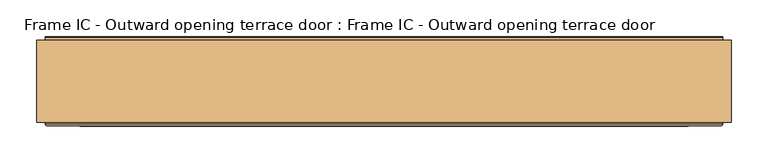
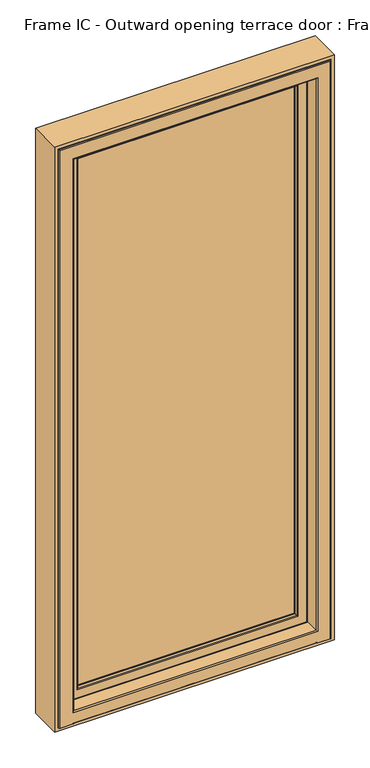
"""IFC4 building model written with IfcOpenShell, lengths in millimetres: door geometry, Frame IC - Outward opening terrace door : Frame IC - Outward opening terrace door."""

from ifc_helpers import new_model, si_unit, frame, origin, place, context, project, spatial, polyline, circle_curve, ellipse_curve, outline, extrude, source, transform, mapped, element, save
from ifc_brep_helpers import plane_surface, cylinder_surface, revolved_surface, advanced_brep


def frame_ic_outward_opening_terrace_door_frame_ic_outward_47a45416(model_context):
    return source(origin(), model_context, "Body", "SolidModel", [
        extrude(outline(polyline([(385.0, 133.0110098), (-385.0, 133.0110098), (-385.0, 181.0110098), (385.0, 181.0110098), (385.0, 133.0110098)])), frame((0.0, 0.0, 84.0), z_axis=(0.0, 0.0, 1.0), x_axis=(1.0, 0.0, 0.0)), (0.0, 0.0, 1.0), 1926.0),
        advanced_brep(
        [(427.5, 188.6168436, 2052.5), (427.5, 185.5999985, 2052.5), (427.5, 185.5999985, 41.5), (427.5, 188.6168436, 41.5), (430.0, 193.0, 2055.0), (431.0, 192.0, 2056.0), (431.0, 192.0, 38.0), (430.0, 193.0, 39.0), (371.0012615, 181.0, 1996.0012615), (371.0012615, 182.2285798, 1996.0012615), (371.0012615, 182.2285798, 97.9987385), (371.0012615, 181.0, 97.9987385), (389.3683537, 133.0, 2014.3683537), (395.2620126, 181.0, 2020.2620126), (395.2620126, 181.0, 73.7379874), (389.3683537, 133.0, 79.6316463), (371.0, 130.0, 1996.0), (371.0, 133.0, 1996.0), (371.0, 133.0, 98.0), (371.0, 130.0, 98.0), (371.0218525, 128.7920883, 1996.0218525), (372.0000001, 130.0, 1997.0000001), (372.0000001, 130.0, 96.9999999), (371.0218525, 128.7920883, 97.9781475), (372.8106909, 120.376265, 1997.8106909), (372.8106909, 120.376265, 96.1893091), (375.7451337, 118.0, 2000.7451337), (375.7451337, 118.0, 93.2548663), (408.5618051, 119.7562613, 2033.5618051), (406.5767128, 118.0, 2031.5767128), (406.5767128, 118.0, 62.4232872), (408.5618051, 119.7562613, 60.4381949), (410.5562854, 136.0, 2035.5562854), (410.5562854, 136.0, 58.4437146), (422.0, 185.5999985, 2047.0), (422.0, 136.0, 2047.0), (422.0, 136.0, 47.0), (422.0, 185.5999985, 47.0), (-427.5, 185.5999985, 41.5), (-427.5, 188.6168436, 41.5), (-431.0, 192.0, 38.0), (-430.0, 193.0, 39.0), (-371.0012615, 182.2285798, 97.9987385), (-371.0012615, 181.0, 97.9987385), (-395.2620126, 181.0, 73.7379874), (-389.3683537, 133.0, 79.6316463), (-371.0, 133.0, 98.0), (-371.0, 130.0, 98.0), (-372.0000001, 130.0, 96.9999999), (-371.0218525, 128.7920883, 97.9781475), (-372.8106909, 120.376265, 96.1893091), (-375.7451337, 118.0, 93.2548663), (-406.5767128, 118.0, 62.4232872), (-408.5618051, 119.7562613, 60.4381949), (-410.5562854, 136.0, 58.4437146), (-422.0, 136.0, 47.0), (-422.0, 185.5999985, 47.0), (-427.5, 185.5999985, 2052.5), (-427.5, 188.6168436, 2052.5), (-431.0, 192.0, 2056.0), (-430.0, 193.0, 2055.0), (-371.0012615, 182.2285798, 1996.0012615), (-371.0012615, 181.0, 1996.0012615), (-395.2620126, 181.0, 2020.2620126), (-389.3683537, 133.0, 2014.3683537), (-371.0, 133.0, 1996.0), (-371.0, 130.0, 1996.0), (-372.0000001, 130.0, 1997.0000001), (-371.0218525, 128.7920883, 1996.0218525), (-372.8106909, 120.376265, 1997.8106909), (-375.7451337, 118.0, 2000.7451337), (-406.5767128, 118.0, 2031.5767128), (-408.5618051, 119.7562613, 2033.5618051), (-410.5562854, 136.0, 2035.5562854), (-422.0, 136.0, 2047.0), (-422.0, 185.5999985, 2047.0), (437.1997151, 189.6865589, 31.8002849), (-437.1997151, 189.6865589, 31.8002849), (-437.1997151, 189.6865589, 2062.1997151), (437.1997151, 189.6865589, 2062.1997151), (431.0, 189.6865589, 2056.0), (-431.0, 189.6865589, 2056.0), (-431.0, 189.6865589, 38.0), (431.0, 189.6865589, 38.0), (381.0727028, 193.0, 87.9272972), (-381.0727028, 193.0, 87.9272972), (-381.0727028, 193.0, 2006.0727028), (381.0727028, 193.0, 2006.0727028), (375.7743373, 193.0, 2000.7743373), (-375.7743373, 193.0, 2000.7743373), (-375.7743373, 193.0, 93.2256627), (375.7743373, 193.0, 93.2256627), (437.1997151, 188.6168436, 2062.1997151), (437.1997151, 188.6168436, 31.8002849), (-437.1997151, 188.6168436, 31.8002849), (-437.1997151, 188.6168436, 2062.1997151), (373.8617278, 191.5847434, 1998.8617278), (373.8617278, 191.5847434, 95.1382722), (-373.8617278, 191.5847434, 95.1382722), (-373.8617278, 191.5847434, 1998.8617278), (386.7018679, 192.25, 2011.7018679), (388.000906, 193.0, 2013.000906), (388.000906, 193.0, 80.999094), (386.7018679, 192.25, 82.2981321), (382.3717409, 192.25, 2007.3717409), (382.3717409, 192.25, 86.6282591), (-388.000906, 193.0, 80.999094), (-386.7018679, 192.25, 82.2981321), (-382.3717409, 192.25, 86.6282591), (-388.000906, 193.0, 2013.000906), (-386.7018679, 192.25, 2011.7018679), (-382.3717409, 192.25, 2007.3717409)],
        [
            (0, 1),
            (1, 2),
            (2, 3),
            (3, 0),
            (4, 5, ellipse_curve(frame((430.0, 192.0, 2055.0), z_axis=(0.7071067811865475, 0.0, -0.7071067811865475), x_axis=(0.7071067811865474, 0.0, 0.7071067811865476)), 1.4142136, 1.0)),
            (5, 6),
            (6, 7, ellipse_curve(frame((430.0, 192.0, 39.0), z_axis=(0.7071067811865475, 0.0, 0.7071067811865475), x_axis=(-0.7071067811865474, 0.0, 0.7071067811865476)), 1.4142136, 1.0)),
            (7, 4),
            (8, 9),
            (9, 10),
            (10, 11),
            (11, 8),
            (12, 13),
            (13, 14),
            (14, 15),
            (15, 12),
            (16, 17),
            (17, 18),
            (18, 19),
            (19, 16),
            (20, 21, ellipse_curve(frame((372.0000001, 129.0, 1997.0000001), z_axis=(0.7071067811865475, 0.0, -0.7071067811865475), x_axis=(0.7071067811865474, 0.0, 0.7071067811865476)), 1.4142136, 1.0)),
            (21, 22),
            (22, 23, ellipse_curve(frame((372.0000001, 129.0, 96.9999999), z_axis=(0.7071067811865475, 0.0, 0.7071067811865475), x_axis=(-0.7071067811865474, 0.0, 0.7071067811865476)), 1.4142136, 1.0)),
            (23, 20),
            (24, 20),
            (23, 25),
            (25, 24),
            (26, 24, ellipse_curve(frame((375.7451337, 121.0, 2000.7451337), z_axis=(0.7071067811865475, 0.0, -0.7071067811865475), x_axis=(0.7071067811865474, 0.0, 0.7071067811865476)), 4.2426407, 3.0)),
            (25, 27, ellipse_curve(frame((375.7451337, 121.0, 93.2548663), z_axis=(0.7071067811865475, 0.0, 0.7071067811865475), x_axis=(-0.7071067811865474, 0.0, 0.7071067811865476)), 4.2426407, 3.0)),
            (27, 26),
            (28, 29, ellipse_curve(frame((406.5767128, 120.0, 2031.5767128), z_axis=(0.7071067811865475, 0.0, -0.7071067811865475), x_axis=(0.7071067811865474, 0.0, 0.7071067811865476)), 2.8284271, 2.0)),
            (29, 30),
            (30, 31, ellipse_curve(frame((406.5767128, 120.0, 62.4232872), z_axis=(0.7071067811865475, 0.0, 0.7071067811865475), x_axis=(-0.7071067811865474, 0.0, 0.7071067811865476)), 2.8284271, 2.0)),
            (31, 28),
            (32, 28),
            (31, 33),
            (33, 32),
            (34, 35),
            (35, 36),
            (36, 37),
            (37, 34),
            (2, 38),
            (38, 39),
            (39, 3),
            (6, 40),
            (40, 41, ellipse_curve(frame((-430.0, 192.0, 39.0), z_axis=(0.7071067811865475, 0.0, -0.7071067811865475), x_axis=(0.7071067811865476, 0.0, 0.7071067811865474)), 1.4142136, 1.0)),
            (41, 7),
            (10, 42),
            (42, 43),
            (43, 11),
            (14, 44),
            (44, 45),
            (45, 15),
            (18, 46),
            (46, 47),
            (47, 19),
            (22, 48),
            (48, 49, ellipse_curve(frame((-372.0000001, 129.0, 96.9999999), z_axis=(0.7071067811865475, 0.0, -0.7071067811865475), x_axis=(0.7071067811865476, 0.0, 0.7071067811865474)), 1.4142136, 1.0)),
            (49, 23),
            (49, 50),
            (50, 25),
            (50, 51, ellipse_curve(frame((-375.7451337, 121.0, 93.2548663), z_axis=(0.7071067811865475, 0.0, -0.7071067811865475), x_axis=(0.7071067811865476, 0.0, 0.7071067811865474)), 4.2426407, 3.0)),
            (51, 27),
            (30, 52),
            (52, 53, ellipse_curve(frame((-406.5767128, 120.0, 62.4232872), z_axis=(0.7071067811865475, 0.0, -0.7071067811865475), x_axis=(0.7071067811865476, 0.0, 0.7071067811865474)), 2.8284271, 2.0)),
            (53, 31),
            (53, 54),
            (54, 33),
            (36, 55),
            (55, 56),
            (56, 37),
            (38, 57),
            (57, 58),
            (58, 39),
            (40, 59),
            (59, 60, ellipse_curve(frame((-430.0, 192.0, 2055.0), z_axis=(-0.7071067811865475, 0.0, -0.7071067811865475), x_axis=(0.7071067811865474, 0.0, -0.7071067811865476)), 1.4142136, 1.0)),
            (60, 41),
            (42, 61),
            (61, 62),
            (62, 43),
            (44, 63),
            (63, 64),
            (64, 45),
            (46, 65),
            (65, 66),
            (66, 47),
            (48, 67),
            (67, 68, ellipse_curve(frame((-372.0000001, 129.0, 1997.0000001), z_axis=(-0.7071067811865475, 0.0, -0.7071067811865475), x_axis=(0.7071067811865474, 0.0, -0.7071067811865476)), 1.4142136, 1.0)),
            (68, 49),
            (68, 69),
            (69, 50),
            (69, 70, ellipse_curve(frame((-375.7451337, 121.0, 2000.7451337), z_axis=(-0.7071067811865475, 0.0, -0.7071067811865475), x_axis=(0.7071067811865474, 0.0, -0.7071067811865476)), 4.2426407, 3.0)),
            (70, 51),
            (52, 71),
            (71, 72, ellipse_curve(frame((-406.5767128, 120.0, 2031.5767128), z_axis=(-0.7071067811865475, 0.0, -0.7071067811865475), x_axis=(0.7071067811865474, 0.0, -0.7071067811865476)), 2.8284271, 2.0)),
            (72, 53),
            (72, 73),
            (73, 54),
            (55, 74),
            (74, 75),
            (75, 56),
            (1, 57),
            (75, 34),
            (0, 58),
            (76, 77),
            (77, 78),
            (78, 79),
            (79, 76),
            (80, 81),
            (81, 82),
            (82, 83),
            (83, 80),
            (59, 5),
            (4, 60),
            (84, 85),
            (85, 86),
            (86, 87),
            (87, 84),
            (88, 89),
            (89, 90),
            (90, 91),
            (91, 88),
            (61, 9),
            (8, 62),
            (13, 63),
            (12, 64),
            (17, 65),
            (16, 66),
            (21, 67),
            (20, 68),
            (24, 69),
            (26, 70),
            (29, 71),
            (28, 72),
            (32, 73),
            (35, 74),
            (79, 92),
            (92, 93),
            (93, 76),
            (5, 80),
            (83, 6),
            (93, 94),
            (94, 77),
            (82, 40),
            (94, 95),
            (95, 78),
            (81, 59),
            (92, 95),
            (96, 88, ellipse_curve(frame((375.7743373, 191.0, 2000.7743373), z_axis=(0.7071067811865475, 0.0, -0.7071067811865475), x_axis=(0.7071067811865474, 0.0, 0.7071067811865476)), 2.8284271, 2.0)),
            (91, 97, ellipse_curve(frame((375.7743373, 191.0, 93.2256627), z_axis=(0.7071067811865475, 0.0, 0.7071067811865475), x_axis=(-0.7071067811865474, 0.0, 0.7071067811865476)), 2.8284271, 2.0)),
            (97, 96),
            (9, 96),
            (97, 10),
            (90, 98, ellipse_curve(frame((-375.7743373, 191.0, 93.2256627), z_axis=(0.7071067811865475, 0.0, -0.7071067811865475), x_axis=(0.7071067811865476, 0.0, 0.7071067811865474)), 2.8284271, 2.0)),
            (98, 97),
            (98, 42),
            (89, 99, ellipse_curve(frame((-375.7743373, 191.0, 2000.7743373), z_axis=(-0.7071067811865475, 0.0, -0.7071067811865475), x_axis=(0.7071067811865474, 0.0, -0.7071067811865476)), 2.8284271, 2.0)),
            (99, 98),
            (99, 61),
            (96, 99),
            (100, 101, ellipse_curve(frame((388.000906, 191.5, 2013.000906), z_axis=(0.7071067811865475, 0.0, -0.7071067811865475), x_axis=(0.7071067811865474, 0.0, 0.7071067811865476)), 2.1213203, 1.5)),
            (101, 102),
            (102, 103, ellipse_curve(frame((388.000906, 191.5, 80.999094), z_axis=(0.7071067811865475, 0.0, 0.7071067811865475), x_axis=(-0.7071067811865474, 0.0, 0.7071067811865476)), 2.1213203, 1.5)),
            (103, 100),
            (104, 100, ellipse_curve(frame((384.5368044, 193.5, 2009.5368044), z_axis=(-0.7071067811865475, 0.0, 0.7071067811865475), x_axis=(-0.7071067811865474, 0.0, -0.7071067811865476)), 3.5355339, 2.5)),
            (103, 105, ellipse_curve(frame((384.5368044, 193.5, 84.4631956), z_axis=(-0.7071067811865475, 0.0, -0.7071067811865475), x_axis=(0.7071067811865474, 0.0, -0.7071067811865476)), 3.5355339, 2.5)),
            (105, 104),
            (87, 104, ellipse_curve(frame((381.0727028, 191.5, 2006.0727028), z_axis=(0.7071067811865475, 0.0, -0.7071067811865475), x_axis=(0.7071067811865474, 0.0, 0.7071067811865476)), 2.1213203, 1.5)),
            (105, 84, ellipse_curve(frame((381.0727028, 191.5, 87.9272972), z_axis=(0.7071067811865475, 0.0, 0.7071067811865475), x_axis=(-0.7071067811865474, 0.0, 0.7071067811865476)), 2.1213203, 1.5)),
            (102, 106),
            (106, 107, ellipse_curve(frame((-388.000906, 191.5, 80.999094), z_axis=(0.7071067811865475, 0.0, -0.7071067811865475), x_axis=(0.7071067811865476, 0.0, 0.7071067811865474)), 2.1213203, 1.5)),
            (107, 103),
            (107, 108, ellipse_curve(frame((-384.5368044, 193.5, 84.4631956), z_axis=(-0.7071067811865475, 0.0, 0.7071067811865475), x_axis=(-0.7071067811865476, 0.0, -0.7071067811865474)), 3.5355339, 2.5)),
            (108, 105),
            (108, 85, ellipse_curve(frame((-381.0727028, 191.5, 87.9272972), z_axis=(0.7071067811865475, 0.0, -0.7071067811865475), x_axis=(0.7071067811865476, 0.0, 0.7071067811865474)), 2.1213203, 1.5)),
            (106, 109),
            (109, 110, ellipse_curve(frame((-388.000906, 191.5, 2013.000906), z_axis=(-0.7071067811865475, 0.0, -0.7071067811865475), x_axis=(0.7071067811865474, 0.0, -0.7071067811865476)), 2.1213203, 1.5)),
            (110, 107),
            (110, 111, ellipse_curve(frame((-384.5368044, 193.5, 2009.5368044), z_axis=(0.7071067811865475, 0.0, 0.7071067811865475), x_axis=(-0.7071067811865474, 0.0, 0.7071067811865476)), 3.5355339, 2.5)),
            (111, 108),
            (111, 86, ellipse_curve(frame((-381.0727028, 191.5, 2006.0727028), z_axis=(-0.7071067811865475, 0.0, -0.7071067811865475), x_axis=(0.7071067811865474, 0.0, -0.7071067811865476)), 2.1213203, 1.5)),
            (101, 109),
            (100, 110),
            (104, 111),
        ],
        [
            plane_surface(frame((427.5, 185.5999985, 2052.5), z_axis=(1.0, 0.0, 0.0), x_axis=(0.0, 0.0, -1.0))),
            cylinder_surface(frame((430.0, 192.0, 2047.0), z_axis=(0.0, 0.0, 1.0), x_axis=(0.0, -1.0, 0.0)), 1.0),
            plane_surface(frame((371.0012615, 182.2285798, 1996.0012615), z_axis=(-1.0, 0.0, 0.0), x_axis=(0.0, 0.0, -1.0))),
            plane_surface(frame((395.2620126, 181.0, 2020.2620126), z_axis=(-0.9925461516413231, 0.12186934340513902, 0.0), x_axis=(0.0, 0.0, -1.0))),
            plane_surface(frame((371.0, 133.0, 1996.0), z_axis=(-1.0, 0.0, 0.0), x_axis=(0.0, 0.0, -1.0))),
            cylinder_surface(frame((372.0000001, 129.0, 2047.0), z_axis=(0.0, 0.0, 1.0), x_axis=(0.0, -1.0, 0.0)), 1.0),
            plane_surface(frame((371.0218525, 128.7920883, 1996.0218525), z_axis=(-0.978147604222882, -0.20791167440294514, 0.0), x_axis=(0.0, 0.0, -1.0))),
            cylinder_surface(frame((375.7451337, 121.0, 2047.0), z_axis=(0.0, 0.0, 1.0), x_axis=(0.0, -1.0, 0.0)), 3.0),
            cylinder_surface(frame((406.5767128, 120.0, 2047.0), z_axis=(0.0, 0.0, 1.0), x_axis=(0.0, -1.0, 0.0)), 2.0),
            plane_surface(frame((408.5618051, 119.7562613, 2033.5618051), z_axis=(0.9925461516416144, -0.1218693434027666, 0.0), x_axis=(0.0, 0.0, -1.0))),
            plane_surface(frame((422.0, 136.0, 2047.0), z_axis=(1.0, 0.0, 0.0), x_axis=(0.0, 0.0, -1.0))),
            plane_surface(frame((427.5, 185.5999985, 41.5), z_axis=(0.0, 0.0, -1.0), x_axis=(-1.0, 0.0, 0.0))),
            cylinder_surface(frame((422.0, 192.0, 39.0), z_axis=(1.0, 0.0, 0.0), x_axis=(0.0, -1.0, 0.0)), 1.0),
            plane_surface(frame((371.0012615, 182.2285798, 97.9987385), z_axis=(0.0, 0.0, 1.0), x_axis=(-1.0, 0.0, 0.0))),
            plane_surface(frame((395.2620126, 181.0, 73.7379874), z_axis=(0.0, 0.12186934340513902, 0.9925461516413231), x_axis=(-1.0, 0.0, 0.0))),
            plane_surface(frame((371.0, 133.0, 98.0), z_axis=(0.0, 0.0, 1.0), x_axis=(-1.0, 0.0, 0.0))),
            cylinder_surface(frame((422.0, 129.0, 96.9999999), z_axis=(1.0, 0.0, 0.0), x_axis=(0.0, -1.0, 0.0)), 1.0),
            plane_surface(frame((371.0218525, 128.7920883, 97.9781475), z_axis=(0.0, -0.20791167440294514, 0.978147604222882), x_axis=(-1.0, 0.0, 0.0))),
            cylinder_surface(frame((422.0, 121.0, 93.2548663), z_axis=(1.0, 0.0, 0.0), x_axis=(0.0, -1.0, 0.0)), 3.0),
            cylinder_surface(frame((422.0, 120.0, 62.4232872), z_axis=(1.0, 0.0, 0.0), x_axis=(0.0, -1.0, 0.0)), 2.0),
            plane_surface(frame((408.5618051, 119.7562613, 60.4381949), z_axis=(0.0, -0.1218693434027666, -0.9925461516416144), x_axis=(-1.0, 0.0, 0.0))),
            plane_surface(frame((422.0, 136.0, 47.0), z_axis=(0.0, 0.0, -1.0), x_axis=(-1.0, 0.0, 0.0))),
            plane_surface(frame((-427.5, 185.5999985, 41.5), z_axis=(-1.0, 0.0, 0.0), x_axis=(0.0, 0.0, 1.0))),
            cylinder_surface(frame((-430.0, 192.0, 47.0), z_axis=(0.0, 0.0, -1.0), x_axis=(0.0, -1.0, 0.0)), 1.0),
            plane_surface(frame((-371.0012615, 182.2285798, 97.9987385), z_axis=(1.0, 0.0, 0.0), x_axis=(0.0, 0.0, 1.0))),
            plane_surface(frame((-395.2620126, 181.0, 73.7379874), z_axis=(0.9925461516413231, 0.12186934340513902, 0.0), x_axis=(0.0, 0.0, 1.0))),
            plane_surface(frame((-371.0, 133.0, 98.0), z_axis=(1.0, 0.0, 0.0), x_axis=(0.0, 0.0, 1.0))),
            cylinder_surface(frame((-372.0000001, 129.0, 47.0), z_axis=(0.0, 0.0, -1.0), x_axis=(0.0, -1.0, 0.0)), 1.0),
            plane_surface(frame((-371.0218525, 128.7920883, 97.9781475), z_axis=(0.978147604222882, -0.20791167440294514, 0.0), x_axis=(0.0, 0.0, 1.0))),
            cylinder_surface(frame((-375.7451337, 121.0, 47.0), z_axis=(0.0, 0.0, -1.0), x_axis=(0.0, -1.0, 0.0)), 3.0),
            cylinder_surface(frame((-406.5767128, 120.0, 47.0), z_axis=(0.0, 0.0, -1.0), x_axis=(0.0, -1.0, 0.0)), 2.0),
            plane_surface(frame((-408.5618051, 119.7562613, 60.4381949), z_axis=(-0.9925461516416144, -0.1218693434027666, 0.0), x_axis=(0.0, 0.0, 1.0))),
            plane_surface(frame((-422.0, 136.0, 47.0), z_axis=(-1.0, 0.0, 0.0), x_axis=(0.0, 0.0, 1.0))),
            plane_surface(frame((-422.0, 185.5999985, 2047.0), z_axis=(0.0, -1.0, 0.0), x_axis=(1.0, 0.0, 0.0))),
            plane_surface(frame((-427.5, 185.5999985, 2052.5), z_axis=(0.0, 0.0, 1.0), x_axis=(1.0, 0.0, 0.0))),
            plane_surface(frame((-437.1997151, 189.6865589, 2062.1997151), z_axis=(0.0, 1.0, 0.0), x_axis=(1.0, 0.0, 0.0))),
            cylinder_surface(frame((-422.0, 192.0, 2055.0), z_axis=(-1.0, 0.0, 0.0), x_axis=(0.0, -1.0, 0.0)), 1.0),
            plane_surface(frame((-381.0727028, 193.0, 2006.0727028), z_axis=(0.0, 1.0, 0.0), x_axis=(1.0, 0.0, 0.0))),
            plane_surface(frame((-371.0012615, 182.2285798, 1996.0012615), z_axis=(0.0, 0.0, -1.0), x_axis=(1.0, 0.0, 0.0))),
            plane_surface(frame((-371.0012615, 181.0, 1996.0012615), z_axis=(0.0, -1.0, 0.0), x_axis=(1.0, 0.0, 0.0))),
            plane_surface(frame((-395.2620126, 181.0, 2020.2620126), z_axis=(0.0, 0.12186934340513902, -0.9925461516413231), x_axis=(1.0, 0.0, 0.0))),
            plane_surface(frame((-389.3683537, 133.0, 2014.3683537), z_axis=(0.0, 1.0, 0.0), x_axis=(1.0, 0.0, 0.0))),
            plane_surface(frame((-371.0, 133.0, 1996.0), z_axis=(0.0, 0.0, -1.0), x_axis=(1.0, 0.0, 0.0))),
            plane_surface(frame((-371.0, 130.0, 1996.0), z_axis=(0.0, -1.0, 0.0), x_axis=(1.0, 0.0, 0.0))),
            cylinder_surface(frame((-422.0, 129.0, 1997.0000001), z_axis=(-1.0, 0.0, 0.0), x_axis=(0.0, -1.0, 0.0)), 1.0),
            plane_surface(frame((-371.0218525, 128.7920883, 1996.0218525), z_axis=(0.0, -0.20791167440294514, -0.978147604222882), x_axis=(1.0, 0.0, 0.0))),
            cylinder_surface(frame((-422.0, 121.0, 2000.7451337), z_axis=(-1.0, 0.0, 0.0), x_axis=(0.0, -1.0, 0.0)), 3.0),
            plane_surface(frame((-375.7451337, 118.0, 2000.7451337), z_axis=(0.0, -1.0, 0.0), x_axis=(1.0, 0.0, 0.0))),
            cylinder_surface(frame((-422.0, 120.0, 2031.5767128), z_axis=(-1.0, 0.0, 0.0), x_axis=(0.0, -1.0, 0.0)), 2.0),
            plane_surface(frame((-408.5618051, 119.7562613, 2033.5618051), z_axis=(0.0, -0.1218693434027666, 0.9925461516416144), x_axis=(1.0, 0.0, 0.0))),
            plane_surface(frame((-410.5562854, 136.0, 2035.5562854), z_axis=(0.0, -1.0, 0.0), x_axis=(1.0, 0.0, 0.0))),
            plane_surface(frame((-422.0, 136.0, 2047.0), z_axis=(0.0, 0.0, 1.0), x_axis=(1.0, 0.0, 0.0))),
            plane_surface(frame((437.1997151, 188.6168436, 2062.1997151), z_axis=(1.0, 0.0, 0.0), x_axis=(0.0, 0.0, -1.0))),
            plane_surface(frame((431.0, 189.6865589, 2056.0), z_axis=(1.0, 0.0, 0.0), x_axis=(0.0, 0.0, -1.0))),
            plane_surface(frame((437.1997151, 188.6168436, 31.8002849), z_axis=(0.0, 0.0, -1.0), x_axis=(-1.0, 0.0, 0.0))),
            plane_surface(frame((431.0, 189.6865589, 38.0), z_axis=(0.0, 0.0, -1.0), x_axis=(-1.0, 0.0, 0.0))),
            plane_surface(frame((-437.1997151, 188.6168436, 31.8002849), z_axis=(-1.0, 0.0, 0.0), x_axis=(0.0, 0.0, 1.0))),
            plane_surface(frame((-431.0, 189.6865589, 38.0), z_axis=(-1.0, 0.0, 0.0), x_axis=(0.0, 0.0, 1.0))),
            plane_surface(frame((-427.5, 188.6168436, 2052.5), z_axis=(0.0, -1.0, 0.0), x_axis=(1.0, 0.0, 0.0))),
            plane_surface(frame((-437.1997151, 188.6168436, 2062.1997151), z_axis=(0.0, 0.0, 1.0), x_axis=(1.0, 0.0, 0.0))),
            plane_surface(frame((-431.0, 189.6865589, 2056.0), z_axis=(0.0, 0.0, 1.0), x_axis=(1.0, 0.0, 0.0))),
            cylinder_surface(frame((375.7743373, 191.0, 2047.0), z_axis=(0.0, 0.0, 1.0), x_axis=(0.0, -1.0, 0.0)), 2.0),
            plane_surface(frame((373.8617278, 191.5847434, 1998.8617278), z_axis=(-0.9563047559630378, 0.2923717047227294, 0.0), x_axis=(0.0, 0.0, -1.0))),
            cylinder_surface(frame((422.0, 191.0, 93.2256627), z_axis=(1.0, 0.0, 0.0), x_axis=(0.0, -1.0, 0.0)), 2.0),
            plane_surface(frame((373.8617278, 191.5847434, 95.1382722), z_axis=(0.0, 0.2923717047227294, 0.9563047559630378), x_axis=(-1.0, 0.0, 0.0))),
            cylinder_surface(frame((-375.7743373, 191.0, 47.0), z_axis=(0.0, 0.0, -1.0), x_axis=(0.0, -1.0, 0.0)), 2.0),
            plane_surface(frame((-373.8617278, 191.5847434, 95.1382722), z_axis=(0.9563047559630378, 0.2923717047227294, 0.0), x_axis=(0.0, 0.0, 1.0))),
            cylinder_surface(frame((-422.0, 191.0, 2000.7743373), z_axis=(-1.0, 0.0, 0.0), x_axis=(0.0, -1.0, 0.0)), 2.0),
            plane_surface(frame((-373.8617278, 191.5847434, 1998.8617278), z_axis=(0.0, 0.2923717047227294, -0.9563047559630378), x_axis=(1.0, 0.0, 0.0))),
            cylinder_surface(frame((388.000906, 191.5, 2047.0), z_axis=(0.0, 0.0, 1.0), x_axis=(0.0, -1.0, 0.0)), 1.5),
            revolved_surface(polyline([(384.5368044, 191.0, 81.9631956041951), (384.5368044, 191.0, 2012.036804395805)]), (384.5368044, 193.5, 2047.0), (0.0, 0.0, -1.0)),
            cylinder_surface(frame((381.0727028, 191.5, 2047.0), z_axis=(0.0, 0.0, 1.0), x_axis=(0.0, -1.0, 0.0)), 1.5),
            cylinder_surface(frame((422.0, 191.5, 80.999094), z_axis=(1.0, 0.0, 0.0), x_axis=(0.0, -1.0, 0.0)), 1.5),
            revolved_surface(polyline([(-387.0368043958049, 191.0, 84.4631956), (387.0368043958049, 191.0, 84.4631956)]), (422.0, 193.5, 84.4631956), (-1.0, 0.0, 0.0)),
            cylinder_surface(frame((422.0, 191.5, 87.9272972), z_axis=(1.0, 0.0, 0.0), x_axis=(0.0, -1.0, 0.0)), 1.5),
            cylinder_surface(frame((-388.000906, 191.5, 47.0), z_axis=(0.0, 0.0, -1.0), x_axis=(0.0, -1.0, 0.0)), 1.5),
            revolved_surface(polyline([(-384.5368044, 191.0, 2012.036804395805), (-384.5368044, 191.0, 81.96319560419508)]), (-384.5368044, 193.5, 47.0), (0.0, 0.0, 1.0)),
            cylinder_surface(frame((-381.0727028, 191.5, 47.0), z_axis=(0.0, 0.0, -1.0), x_axis=(0.0, -1.0, 0.0)), 1.5),
            plane_surface(frame((-430.0, 193.0, 2055.0), z_axis=(0.0, 1.0, 0.0), x_axis=(1.0, 0.0, 0.0))),
            cylinder_surface(frame((-422.0, 191.5, 2013.000906), z_axis=(-1.0, 0.0, 0.0), x_axis=(0.0, -1.0, 0.0)), 1.5),
            revolved_surface(polyline([(387.0368043958049, 191.0, 2009.5368044), (-387.0368043958049, 191.0, 2009.5368044)]), (-422.0, 193.5, 2009.5368044), (1.0, 0.0, 0.0)),
            cylinder_surface(frame((-422.0, 191.5, 2006.0727028), z_axis=(-1.0, 0.0, 0.0), x_axis=(0.0, -1.0, 0.0)), 1.5),
        ],
        [
            (0, [[1, 2, 3, 4]]),
            (1, [[5, 6, 7, 8]]),
            (2, [[9, 10, 11, 12]]),
            (3, [[13, 14, 15, 16]]),
            (4, [[17, 18, 19, 20]]),
            (5, [[21, 22, 23, 24]]),
            (6, [[25, -24, 26, 27]]),
            (7, [[28, -27, 29, 30]]),
            (8, [[31, 32, 33, 34]]),
            (9, [[35, -34, 36, 37]]),
            (10, [[38, 39, 40, 41]]),
            (11, [[-3, 42, 43, 44]]),
            (12, [[-7, 45, 46, 47]]),
            (13, [[-11, 48, 49, 50]]),
            (14, [[-15, 51, 52, 53]]),
            (15, [[-19, 54, 55, 56]]),
            (16, [[-23, 57, 58, 59]]),
            (17, [[-26, -59, 60, 61]]),
            (18, [[-29, -61, 62, 63]]),
            (19, [[-33, 64, 65, 66]]),
            (20, [[-36, -66, 67, 68]]),
            (21, [[-40, 69, 70, 71]]),
            (22, [[-43, 72, 73, 74]]),
            (23, [[-46, 75, 76, 77]]),
            (24, [[-49, 78, 79, 80]]),
            (25, [[-52, 81, 82, 83]]),
            (26, [[-55, 84, 85, 86]]),
            (27, [[-58, 87, 88, 89]]),
            (28, [[-60, -89, 90, 91]]),
            (29, [[-62, -91, 92, 93]]),
            (30, [[-65, 94, 95, 96]]),
            (31, [[-67, -96, 97, 98]]),
            (32, [[-70, 99, 100, 101]]),
            (33, [[102, -72, -42, -2], [-71, -101, 103, -41]]),
            (34, [[-73, -102, -1, 104]]),
            (35, [[105, 106, 107, 108], [109, 110, 111, 112]]),
            (36, [[-76, 113, -5, 114]]),
            (37, [[115, 116, 117, 118], [119, 120, 121, 122]]),
            (38, [[-79, 123, -9, 124]]),
            (39, [[125, -81, -51, -14], [-50, -80, -124, -12]]),
            (40, [[-82, -125, -13, 126]]),
            (41, [[-53, -83, -126, -16], [127, -84, -54, -18]]),
            (42, [[-85, -127, -17, 128]]),
            (43, [[129, -87, -57, -22], [-56, -86, -128, -20]]),
            (44, [[-88, -129, -21, 130]]),
            (45, [[-90, -130, -25, 131]]),
            (46, [[-92, -131, -28, 132]]),
            (47, [[133, -94, -64, -32], [-63, -93, -132, -30]]),
            (48, [[-95, -133, -31, 134]]),
            (49, [[-97, -134, -35, 135]]),
            (50, [[136, -99, -69, -39], [-68, -98, -135, -37]]),
            (51, [[-100, -136, -38, -103]]),
            (52, [[137, 138, 139, -108]]),
            (53, [[140, -112, 141, -6]]),
            (54, [[-139, 142, 143, -105]]),
            (55, [[-141, -111, 144, -45]]),
            (56, [[-143, 145, 146, -106]]),
            (57, [[-144, -110, 147, -75]]),
            (58, [[148, -145, -142, -138], [-44, -74, -104, -4]]),
            (59, [[-146, -148, -137, -107]]),
            (60, [[-147, -109, -140, -113]]),
            (61, [[149, -122, 150, 151]]),
            (62, [[152, -151, 153, -10]]),
            (63, [[-150, -121, 154, 155]]),
            (64, [[-153, -155, 156, -48]]),
            (65, [[-154, -120, 157, 158]]),
            (66, [[-156, -158, 159, -78]]),
            (67, [[-157, -119, -149, 160]]),
            (68, [[-159, -160, -152, -123]]),
            (69, [[161, 162, 163, 164]]),
            (70, [[165, -164, 166, 167]]),
            (71, [[168, -167, 169, -118]]),
            (72, [[-163, 170, 171, 172]]),
            (73, [[-166, -172, 173, 174]]),
            (74, [[-169, -174, 175, -115]]),
            (75, [[-171, 176, 177, 178]]),
            (76, [[-173, -178, 179, 180]]),
            (77, [[-175, -180, 181, -116]]),
            (78, [[-47, -77, -114, -8], [182, -176, -170, -162]]),
            (79, [[-177, -182, -161, 183]]),
            (80, [[-179, -183, -165, 184]]),
            (81, [[-181, -184, -168, -117]]),
        ],
    ),
        extrude(outline(polyline([(2100.0, -475.0), (0.0, -475.0), (0.0, 475.0), (2100.0, 475.0), (2100.0, -475.0)]), holes=[polyline([(2088.0, 463.0), (12.0, 463.0), (12.0, -463.0), (2088.0, -463.0), (2088.0, 463.0)])]), frame((0.0, 77.0, 0.0), z_axis=(0.0, 1.0, 0.0), x_axis=(0.0, 0.0, 1.0)), (0.0, 0.0, 1.0), 112.0),
        advanced_brep(
        [(-437.7857488, 191.365608, 30.5880353), (-437.7857488, 194.0, 27.6103969), (-437.7857488, 194.0, 15.0), (-437.7857488, 191.0, 12.0), (-437.7857488, 186.453125, 12.0), (-437.7857488, 186.453125, 31.1912124), (437.7857488, 191.365608, 30.5880353), (437.7857488, 194.0, 27.6103969), (437.7857488, 194.0, 15.0), (437.7857488, 191.0, 12.0), (437.7857488, 186.453125, 12.0), (438.6, 186.453125, 12.0), (438.6, 193.0, 12.0), (439.6, 194.0, 12.0), (462.0, 194.0, 12.0), (463.0, 193.0, 12.0), (463.0, 75.0, 12.0), (460.0, 72.0, 12.0), (416.0, 72.0, 12.0), (413.0, 75.0, 12.0), (-413.0, 75.0, 12.0), (-416.0, 72.0, 12.0), (-460.0, 72.0, 12.0), (-463.0, 75.0, 12.0), (-463.0, 193.0, 12.0), (-462.0, 194.0, 12.0), (-439.6, 194.0, 12.0), (-438.6, 193.0, 12.0), (-438.6, 186.453125, 12.0), (437.7857488, 186.453125, 31.1912124), (437.7857488, 186.453125, 2062.7857488), (-437.7857488, 186.453125, 2062.7857488), (-438.6, 186.453125, 2063.6), (438.6, 186.453125, 2063.6), (-431.1386925, 132.317196, 37.8382687), (431.1386925, 132.317196, 37.8382687), (-431.1386925, 132.317196, 2056.1386925), (-429.6498733, 131.0, 39.3270879), (429.6498733, 131.0, 39.3270879), (431.1386925, 132.317196, 2056.1386925), (438.6, 193.0, 2063.6), (439.6, 194.0, 2064.6), (-439.6, 194.0, 2064.6), (-462.0, 194.0, 2087.0), (462.0, 194.0, 2087.0), (463.0, 193.0, 2088.0), (463.0, 75.0, 2088.0), (460.0, 72.0, 2085.0), (-416.0, 72.0, 15.0), (416.0, 72.0, 15.0), (-460.0, 72.0, 2085.0), (416.0, 72.0, 53.0), (-416.0, 72.0, 53.0), (-416.0, 72.0, 2041.0), (416.0, 72.0, 2041.0), (413.0, 75.0, 2038.0), (413.0, 75.0, 56.0), (-413.0, 75.0, 2038.0), (-413.0, 75.0, 56.0), (-463.0, 75.0, 2088.0), (-463.0, 193.0, 2088.0), (-438.6, 193.0, 2063.6), (413.0, 129.5, 56.0), (-413.0, 129.5, 56.0), (413.0, 129.5, 2038.0), (414.5, 131.0, 54.5), (-414.5, 131.0, 54.5), (-413.0, 129.5, 2038.0), (414.5, 131.0, 2039.5), (-429.6498733, 131.0, 2054.6498733), (429.6498733, 131.0, 2054.6498733), (-414.5, 131.0, 2039.5)],
        [
            (0, 1, circle_curve(frame((-437.7857488, 191.0, 27.6103969), z_axis=(-1.0, 0.0, 0.0), x_axis=(0.0, -1.0, 0.0)), 3.0)),
            (1, 2),
            (2, 3, circle_curve(frame((-437.7857488, 191.0, 15.0), z_axis=(-1.0, 0.0, 0.0), x_axis=(0.0, -1.0, 0.0)), 3.0)),
            (3, 4),
            (4, 5),
            (5, 0),
            (0, 6),
            (6, 7, circle_curve(frame((437.7857488, 191.0, 27.6103969), z_axis=(-1.0, 0.0, 0.0), x_axis=(0.0, -1.0, 0.0)), 3.0)),
            (7, 1),
            (7, 8),
            (8, 2),
            (8, 9, circle_curve(frame((437.7857488, 191.0, 15.0), z_axis=(-1.0, 0.0, 0.0), x_axis=(0.0, -1.0, 0.0)), 3.0)),
            (9, 3),
            (9, 10),
            (10, 11),
            (11, 12),
            (12, 13, circle_curve(frame((439.6, 193.0, 12.0), z_axis=(0.0, 0.0, -1.0), x_axis=(0.0, 1.0, 0.0)), 1.0)),
            (13, 14),
            (14, 15, circle_curve(frame((462.0, 193.0, 12.0), z_axis=(0.0, 0.0, -1.0), x_axis=(0.0, 1.0, 0.0)), 1.0)),
            (15, 16),
            (16, 17, circle_curve(frame((460.0, 75.0, 12.0), z_axis=(0.0, 0.0, -1.0), x_axis=(0.0, 1.0, 0.0)), 3.0)),
            (17, 18),
            (18, 19, circle_curve(frame((416.0, 75.0, 12.0), z_axis=(0.0, 0.0, -1.0), x_axis=(0.0, 1.0, 0.0)), 3.0)),
            (19, 20),
            (20, 21, circle_curve(frame((-416.0, 75.0, 12.0), z_axis=(0.0, 0.0, -1.0), x_axis=(0.0, 1.0, 0.0)), 3.0)),
            (21, 22),
            (22, 23, circle_curve(frame((-460.0, 75.0, 12.0), z_axis=(0.0, 0.0, -1.0), x_axis=(0.0, 1.0, 0.0)), 3.0)),
            (23, 24),
            (24, 25, circle_curve(frame((-462.0, 193.0, 12.0), z_axis=(0.0, 0.0, -1.0), x_axis=(0.0, 1.0, 0.0)), 1.0)),
            (25, 26),
            (26, 27, circle_curve(frame((-439.6, 193.0, 12.0), z_axis=(0.0, 0.0, -1.0), x_axis=(0.0, 1.0, 0.0)), 1.0)),
            (27, 28),
            (28, 4),
            (10, 29),
            (29, 30),
            (30, 31),
            (31, 5),
            (28, 32),
            (32, 33),
            (33, 11),
            (5, 34),
            (34, 35),
            (35, 29),
            (29, 6),
            (31, 36),
            (36, 34),
            (34, 37, ellipse_curve(frame((-429.6498733, 132.5, 39.3270879), z_axis=(-0.7071067811865475, 0.0, 0.7071067811865475), x_axis=(0.7071067811865476, 0.0, 0.7071067811865474)), 2.1213203, 1.5)),
            (37, 38),
            (38, 35, ellipse_curve(frame((429.6498733, 132.5, 39.3270879), z_axis=(0.7071067811865475, 0.0, 0.7071067811865475), x_axis=(0.7071067811865476, 0.0, -0.7071067811865474)), 2.1213203, 1.5)),
            (39, 30),
            (35, 39),
            (33, 40),
            (40, 12),
            (40, 41, ellipse_curve(frame((439.6, 193.0, 2064.6), z_axis=(0.7071067811865475, 0.0, -0.7071067811865475), x_axis=(-0.7071067811865474, 0.0, -0.7071067811865476)), 1.4142136, 1.0)),
            (41, 13),
            (41, 42),
            (42, 26),
            (25, 43),
            (43, 44),
            (44, 14),
            (44, 45, ellipse_curve(frame((462.0, 193.0, 2087.0), z_axis=(0.7071067811865475, 0.0, -0.7071067811865475), x_axis=(-0.7071067811865474, 0.0, -0.7071067811865476)), 1.4142136, 1.0)),
            (45, 15),
            (45, 46),
            (46, 16),
            (46, 47, ellipse_curve(frame((460.0, 75.0, 2085.0), z_axis=(0.7071067811865475, 0.0, -0.7071067811865475), x_axis=(-0.7071067811865474, 0.0, -0.7071067811865476)), 4.2426407, 3.0)),
            (47, 17),
            (48, 49),
            (49, 18),
            (47, 50),
            (50, 22),
            (21, 48),
            (51, 52),
            (52, 53),
            (53, 54),
            (54, 51),
            (49, 19, ellipse_curve(frame((416.0, 75.0, 15.0), z_axis=(0.7071067811865475, 0.0, -0.7071067811865475), x_axis=(-0.7071067811865474, 0.0, -0.7071067811865476)), 4.2426407, 3.0)),
            (54, 55, ellipse_curve(frame((416.0, 75.0, 2041.0), z_axis=(0.7071067811865475, 0.0, -0.7071067811865475), x_axis=(-0.7071067811865474, 0.0, -0.7071067811865476)), 4.2426407, 3.0)),
            (55, 56),
            (56, 51, ellipse_curve(frame((416.0, 75.0, 53.0), z_axis=(0.7071067811865475, 0.0, 0.7071067811865475), x_axis=(0.7071067811865474, 0.0, -0.7071067811865476)), 4.2426407, 3.0)),
            (48, 20, ellipse_curve(frame((-416.0, 75.0, 15.0), z_axis=(0.7071067811865475, 0.0, 0.7071067811865475), x_axis=(-0.7071067811865476, 0.0, 0.7071067811865474)), 4.2426407, 3.0)),
            (57, 53, ellipse_curve(frame((-416.0, 75.0, 2041.0), z_axis=(-0.7071067811865475, 0.0, -0.7071067811865475), x_axis=(-0.7071067811865474, 0.0, 0.7071067811865476)), 4.2426407, 3.0)),
            (52, 58, ellipse_curve(frame((-416.0, 75.0, 53.0), z_axis=(-0.7071067811865475, 0.0, 0.7071067811865475), x_axis=(0.7071067811865474, 0.0, 0.7071067811865476)), 4.2426407, 3.0)),
            (58, 57),
            (50, 59, ellipse_curve(frame((-460.0, 75.0, 2085.0), z_axis=(-0.7071067811865475, 0.0, -0.7071067811865475), x_axis=(-0.7071067811865474, 0.0, 0.7071067811865476)), 4.2426407, 3.0)),
            (59, 23),
            (59, 60),
            (60, 24),
            (60, 43, ellipse_curve(frame((-462.0, 193.0, 2087.0), z_axis=(-0.7071067811865475, 0.0, -0.7071067811865475), x_axis=(-0.7071067811865474, 0.0, 0.7071067811865476)), 1.4142136, 1.0)),
            (42, 61, ellipse_curve(frame((-439.6, 193.0, 2064.6), z_axis=(-0.7071067811865475, 0.0, -0.7071067811865475), x_axis=(-0.7071067811865474, 0.0, 0.7071067811865476)), 1.4142136, 1.0)),
            (61, 27),
            (61, 32),
            (56, 58),
            (56, 62),
            (62, 63),
            (63, 58),
            (55, 64),
            (64, 62),
            (62, 65, ellipse_curve(frame((414.5, 129.5, 54.5), z_axis=(-0.7071067811865475, 0.0, -0.7071067811865475), x_axis=(-0.7071067811865476, 0.0, 0.7071067811865474)), 2.1213203, 1.5)),
            (65, 66),
            (66, 63, ellipse_curve(frame((-414.5, 129.5, 54.5), z_axis=(0.7071067811865475, 0.0, -0.7071067811865475), x_axis=(-0.7071067811865476, 0.0, -0.7071067811865474)), 2.1213203, 1.5)),
            (67, 57),
            (63, 67),
            (64, 68, ellipse_curve(frame((414.5, 129.5, 2039.5), z_axis=(0.7071067811865475, 0.0, -0.7071067811865475), x_axis=(-0.7071067811865474, 0.0, -0.7071067811865476)), 2.1213203, 1.5)),
            (68, 65),
            (69, 70),
            (70, 38),
            (37, 69),
            (68, 71),
            (71, 66),
            (71, 67, ellipse_curve(frame((-414.5, 129.5, 2039.5), z_axis=(-0.7071067811865475, 0.0, -0.7071067811865475), x_axis=(-0.7071067811865474, 0.0, 0.7071067811865476)), 2.1213203, 1.5)),
            (70, 39, ellipse_curve(frame((429.6498733, 132.5, 2054.6498733), z_axis=(-0.7071067811865475, 0.0, 0.7071067811865475), x_axis=(0.7071067811865474, 0.0, 0.7071067811865476)), 2.1213203, 1.5)),
            (36, 69, ellipse_curve(frame((-429.6498733, 132.5, 2054.6498733), z_axis=(0.7071067811865475, 0.0, 0.7071067811865475), x_axis=(0.7071067811865474, 0.0, -0.7071067811865476)), 2.1213203, 1.5)),
            (64, 67),
            (36, 39),
            (61, 40),
            (60, 45),
            (59, 46),
            (57, 55),
        ],
        [
            plane_surface(frame((-437.7857488, 191.365608, 30.5880353), z_axis=(-1.0, 0.0, 0.0), x_axis=(0.0, 0.9925461516412108, -0.12186934340605346))),
            cylinder_surface(frame((437.7857488, 191.0, 27.6103969), z_axis=(-1.0, 0.0, 0.0), x_axis=(0.0, -1.0, 0.0)), 3.0),
            plane_surface(frame((-437.7857488, 194.0, 27.6103969), z_axis=(0.0, 1.0, 5.015401888247827e-12), x_axis=(1.0, 0.0, 0.0))),
            cylinder_surface(frame((437.7857488, 191.0, 15.0), z_axis=(-1.0, 0.0, 0.0), x_axis=(0.0, -1.0, 0.0)), 3.0),
            plane_surface(frame((-437.7857488, 191.0, 12.0), z_axis=(0.0, 0.0, -1.0), x_axis=(1.0, 0.0, 0.0))),
            plane_surface(frame((437.7857488, 186.453125, 12.0), z_axis=(0.0, 1.0, 0.0), x_axis=(0.0, 0.0, 1.0))),
            plane_surface(frame((-437.7857488, 132.317196, 37.8382687), z_axis=(0.0, 0.12186934340605346, 0.9925461516412108), x_axis=(1.0, 0.0, 0.0))),
            plane_surface(frame((437.7857488, 191.365608, 30.5880353), z_axis=(1.0, 0.0, 0.0), x_axis=(0.0, -0.9925461516412108, 0.12186934340605346))),
            plane_surface(frame((-431.1386925, 132.317196, 2056.1386925), z_axis=(0.9925461516413233, 0.12186934340513729, 0.0), x_axis=(0.0, 0.0, -1.0))),
            revolved_surface(polyline([(431.1498732691987, 131.0, 39.3270879), (-431.14987326919874, 131.0, 39.3270879)]), (437.7857488, 132.5, 39.3270879), (1.0, 0.0, 0.0)),
            plane_surface(frame((431.1386925, 132.317196, 12.0), z_axis=(-0.9925461516413233, 0.12186934340513729, 0.0), x_axis=(0.0, 0.0, 1.0))),
            plane_surface(frame((438.6, 186.453125, 12.0), z_axis=(-1.0, 0.0, 0.0), x_axis=(0.0, 0.0, 1.0))),
            cylinder_surface(frame((439.6, 193.0, 12.0), z_axis=(0.0, 0.0, -1.0), x_axis=(0.0, 1.0, 0.0)), 1.0),
            plane_surface(frame((439.6, 194.0, 12.0), z_axis=(0.0, 1.0, 0.0), x_axis=(0.0, 0.0, 1.0))),
            cylinder_surface(frame((462.0, 193.0, 12.0), z_axis=(0.0, 0.0, -1.0), x_axis=(0.0, 1.0, 0.0)), 1.0),
            plane_surface(frame((463.0, 193.0, 12.0), z_axis=(1.0, 0.0, 0.0), x_axis=(0.0, 0.0, 1.0))),
            cylinder_surface(frame((460.0, 75.0, 12.0), z_axis=(0.0, 0.0, -1.0), x_axis=(0.0, 1.0, 0.0)), 3.0),
            plane_surface(frame((-437.7857488, 72.0, 15.0), z_axis=(0.0, -1.0, 1.6904214870017627e-12), x_axis=(1.0, 0.0, 0.0))),
            cylinder_surface(frame((416.0, 75.0, 12.0), z_axis=(0.0, 0.0, -1.0), x_axis=(0.0, 1.0, 0.0)), 3.0),
            cylinder_surface(frame((437.7857488, 75.0, 15.0), z_axis=(-1.0, 0.0, 0.0), x_axis=(0.0, -1.0, 0.0)), 3.0),
            cylinder_surface(frame((-416.0, 75.0, 2100.0), z_axis=(0.0, 0.0, 1.0), x_axis=(0.0, 1.0, 0.0)), 3.0),
            cylinder_surface(frame((-460.0, 75.0, 2100.0), z_axis=(0.0, 0.0, 1.0), x_axis=(0.0, 1.0, 0.0)), 3.0),
            plane_surface(frame((-463.0, 193.0, 2088.0), z_axis=(-1.0, 0.0, 0.0), x_axis=(0.0, 0.0, -1.0))),
            cylinder_surface(frame((-462.0, 193.0, 2100.0), z_axis=(0.0, 0.0, 1.0), x_axis=(0.0, 1.0, 0.0)), 1.0),
            cylinder_surface(frame((-439.6, 193.0, 2100.0), z_axis=(0.0, 0.0, 1.0), x_axis=(0.0, 1.0, 0.0)), 1.0),
            plane_surface(frame((-438.6, 186.453125, 2063.6), z_axis=(1.0, 0.0, 0.0), x_axis=(0.0, 0.0, -1.0))),
            cylinder_surface(frame((437.7857488, 75.0, 53.0), z_axis=(-1.0, 0.0, 0.0), x_axis=(0.0, -1.0, 0.0)), 3.0),
            plane_surface(frame((-437.7857488, 75.0, 56.0), z_axis=(0.0, 0.0, 1.0), x_axis=(1.0, 0.0, 0.0))),
            plane_surface(frame((413.0, 75.0, 12.0), z_axis=(-1.0, 0.0, 0.0), x_axis=(0.0, 0.0, 1.0))),
            cylinder_surface(frame((437.7857488, 129.5, 54.5), z_axis=(-1.0, 0.0, 0.0), x_axis=(0.0, -1.0, 0.0)), 1.5),
            plane_surface(frame((-413.0, 75.0, 2038.0), z_axis=(1.0, 0.0, 0.0), x_axis=(0.0, 0.0, -1.0))),
            cylinder_surface(frame((414.5, 129.5, 12.0), z_axis=(0.0, 0.0, -1.0), x_axis=(0.0, 1.0, 0.0)), 1.5),
            plane_surface(frame((-437.7857488, 131.0, 54.5), z_axis=(0.0, 1.0, 0.0), x_axis=(1.0, 0.0, 0.0))),
            cylinder_surface(frame((-414.5, 129.5, 2100.0), z_axis=(0.0, 0.0, 1.0), x_axis=(0.0, 1.0, 0.0)), 1.5),
            revolved_surface(polyline([(429.6498733, 134.0, 2056.1498732691985), (429.6498733, 134.0, 37.827087930801326)]), (429.6498733, 132.5, 12.0), (0.0, 0.0, 1.0)),
            revolved_surface(polyline([(-429.6498733, 134.0, 37.827087930801554), (-429.6498733, 134.0, 2056.1498732691985)]), (-429.6498733, 132.5, 2100.0), (0.0, 0.0, -1.0)),
            cylinder_surface(frame((475.0, 129.5, 2039.5), z_axis=(1.0, 0.0, 0.0), x_axis=(0.0, 1.0, 0.0)), 1.5),
            revolved_surface(polyline([(-431.1498732691988, 134.0, 2054.6498733), (431.1498732691987, 134.0, 2054.6498733)]), (475.0, 132.5, 2054.6498733), (-1.0, 0.0, 0.0)),
            plane_surface(frame((431.1386925, 132.317196, 2056.1386925), z_axis=(0.0, 0.12186934340513729, -0.9925461516413233), x_axis=(-1.0, 0.0, 0.0))),
            plane_surface(frame((438.6, 186.453125, 2063.6), z_axis=(0.0, 0.0, -1.0), x_axis=(-1.0, 0.0, 0.0))),
            cylinder_surface(frame((475.0, 193.0, 2064.6), z_axis=(1.0, 0.0, 0.0), x_axis=(0.0, 1.0, 0.0)), 1.0),
            cylinder_surface(frame((475.0, 193.0, 2087.0), z_axis=(1.0, 0.0, 0.0), x_axis=(0.0, 1.0, 0.0)), 1.0),
            plane_surface(frame((463.0, 193.0, 2088.0), z_axis=(0.0, 0.0, 1.0), x_axis=(-1.0, 0.0, 0.0))),
            cylinder_surface(frame((475.0, 75.0, 2085.0), z_axis=(1.0, 0.0, 0.0), x_axis=(0.0, 1.0, 0.0)), 3.0),
            cylinder_surface(frame((475.0, 75.0, 2041.0), z_axis=(1.0, 0.0, 0.0), x_axis=(0.0, 1.0, 0.0)), 3.0),
            plane_surface(frame((413.0, 75.0, 2038.0), z_axis=(0.0, 0.0, -1.0), x_axis=(-1.0, 0.0, 0.0))),
        ],
        [
            (0, [[1, 2, 3, 4, 5, 6]]),
            (1, [[-1, 7, 8, 9]]),
            (2, [[-2, -9, 10, 11]]),
            (3, [[-3, -11, 12, 13]]),
            (4, [[-13, 14, 15, 16, 17, 18, 19, 20, 21, 22, 23, 24, 25, 26, 27, 28, 29, 30, 31, 32, 33, -4]]),
            (5, [[-15, 34, 35, 36, 37, -5, -33, 38, 39, 40]]),
            (6, [[-7, -6, 41, 42, 43, 44]]),
            (7, [[-12, -10, -8, -44, -34, -14]]),
            (8, [[45, 46, -41, -37]]),
            (9, [[-42, 47, 48, 49]]),
            (10, [[50, -35, -43, 51]]),
            (11, [[-16, -40, 52, 53]]),
            (12, [[-17, -53, 54, 55]]),
            (13, [[-18, -55, 56, 57, -30, 58, 59, 60]]),
            (14, [[-19, -60, 61, 62]]),
            (15, [[-20, -62, 63, 64]]),
            (16, [[-21, -64, 65, 66]]),
            (17, [[67, 68, -22, -66, 69, 70, -26, 71], [72, 73, 74, 75]]),
            (18, [[-23, -68, 76]]),
            (18, [[77, 78, 79, -75]]),
            (19, [[-24, -76, -67, 80]]),
            (20, [[-25, -80, -71]]),
            (20, [[81, -73, 82, 83]]),
            (21, [[84, 85, -27, -70]]),
            (22, [[86, 87, -28, -85]]),
            (23, [[88, -58, -29, -87]]),
            (24, [[89, 90, -31, -57]]),
            (25, [[91, -38, -32, -90]]),
            (26, [[-72, -79, 92, -82]]),
            (27, [[-92, 93, 94, 95]]),
            (28, [[96, 97, -93, -78]]),
            (29, [[-94, 98, 99, 100]]),
            (30, [[101, -83, -95, 102]]),
            (31, [[103, 104, -98, -97]]),
            (32, [[105, 106, -48, 107], [-99, -104, 108, 109]]),
            (33, [[110, -102, -100, -109]]),
            (34, [[-106, 111, -51, -49]]),
            (35, [[112, -107, -47, -46]]),
            (36, [[-103, 113, -110, -108]]),
            (37, [[-111, -105, -112, 114]]),
            (38, [[-114, -45, -36, -50]]),
            (39, [[-52, -39, -91, 115]]),
            (40, [[-115, -89, -56, -54]]),
            (41, [[-61, -59, -88, 116]]),
            (42, [[-116, -86, 117, -63]]),
            (43, [[-117, -84, -69, -65]]),
            (44, [[-77, -74, -81, 118]]),
            (45, [[-113, -96, -118, -101]]),
        ],
    ),
    ])


if __name__ == "__main__":
    model = new_model("IFC4")
    model_context = context("Model", 3, world=origin())
    ifc_project = project(units=[si_unit("LENGTHUNIT", "METRE", prefix="MILLI")], contexts=[model_context])
    site = spatial("IfcSite", under=ifc_project)
    building = spatial("IfcBuilding", under=site)
    placement = place(None, origin())
    frame_ic_outward_opening_terrace_door_frame_ic_outward_shape = frame_ic_outward_opening_terrace_door_frame_ic_outward_47a45416(model_context)
    element("IfcDoor", 1, ObjectType="Frame IC - Outward opening terrace door : Frame IC - Outward opening terrace door", at=placement, inside=building, context=model_context, shape_type="MappedRepresentation", body=[
        mapped(frame_ic_outward_opening_terrace_door_frame_ic_outward_shape, transform((0.0, 0.0, 0.0), x_axis=(1.0, 0.0, 0.0), y_axis=(0.0, 1.0, 0.0), z_axis=(0.0, 0.0, 1.0))),
    ])
    save(model, "model.ifc")
